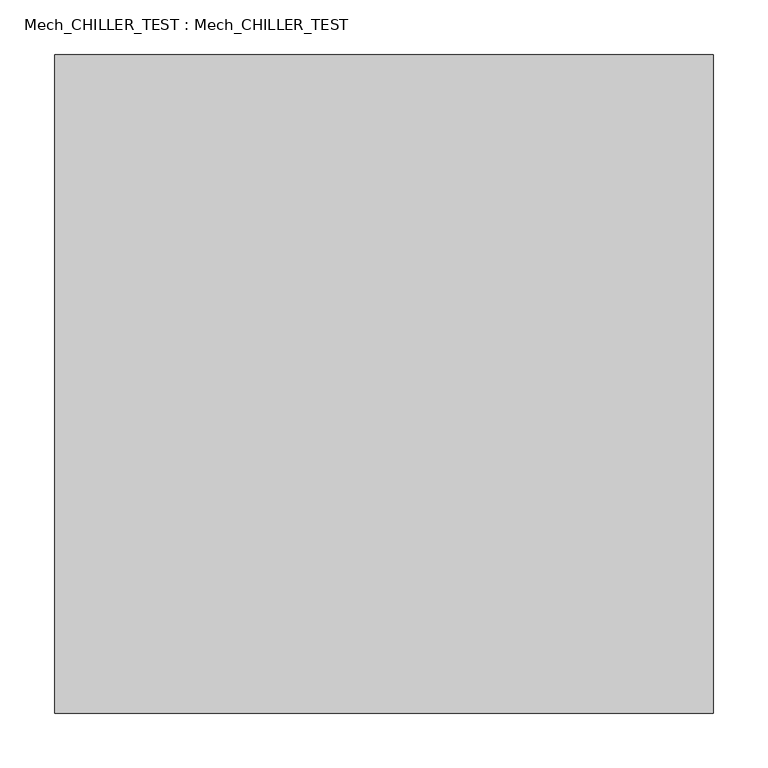
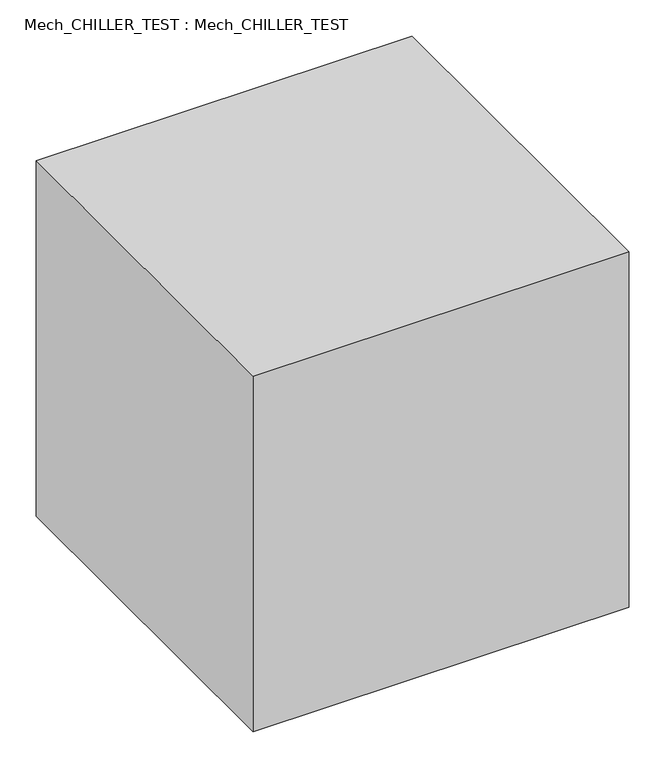
"""IFC4 building model written with IfcOpenShell, lengths in millimetres: proxy geometry, Mech_CHILLER_TEST : Mech_CHILLER_TEST."""

from ifc_helpers import new_model, si_unit, origin, origin_with_axes, place, context, project, spatial, polyline, outline, extrude, source, transform, mapped, element, save


def mech_chiller_test_mech_chiller_test_497d01fa(model_context):
    return source(origin(), model_context, "Body", "SweptSolid", [
        extrude(outline(polyline([(300.0, 300.0), (300.0, -300.0), (-300.0, -300.0), (-300.0, 300.0), (300.0, 300.0)])), origin_with_axes(), (0.0, 0.0, 1.0), 600.0),
    ])


if __name__ == "__main__":
    model = new_model("IFC4")
    model_context = context("Model", 3, world=origin())
    ifc_project = project(units=[si_unit("LENGTHUNIT", "METRE", prefix="MILLI")], contexts=[model_context])
    site = spatial("IfcSite", under=ifc_project)
    building = spatial("IfcBuilding", under=site)
    placement = place(None, origin())
    mech_chiller_test_mech_chiller_test_shape = mech_chiller_test_mech_chiller_test_497d01fa(model_context)
    element("IfcBuildingElementProxy", 1, Name="Mech_CHILLER_TEST : Mech_CHILLER_TEST", ObjectType="Mech_CHILLER_TEST : Mech_CHILLER_TEST", at=placement, inside=building, context=model_context, shape_type="MappedRepresentation", body=[
        mapped(mech_chiller_test_mech_chiller_test_shape, transform((0.0, 0.0, 0.0), x_axis=(1.0, 0.0, 0.0), y_axis=(0.0, 1.0, 0.0), z_axis=(0.0, 0.0, 1.0))),
    ])
    save(model, "model.ifc")
